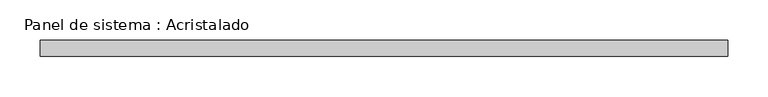
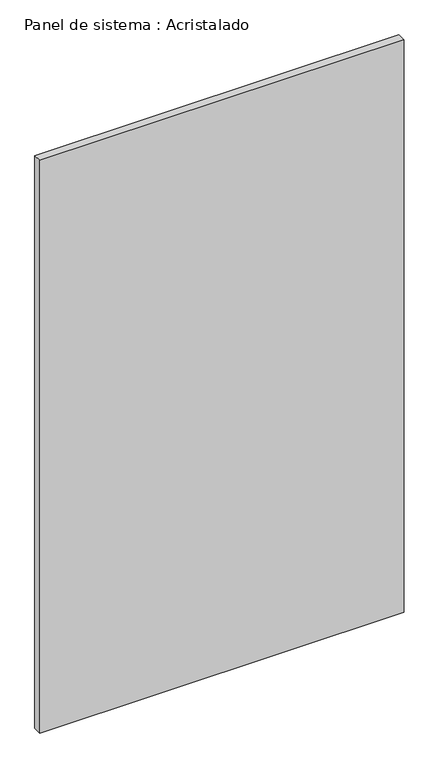
"""IFC4 building model written with IfcOpenShell, lengths in millimetres: plate geometry, Panel de sistema : Acristalado."""

from ifc_helpers import new_model, si_unit, origin, origin_with_axes, place, context, project, spatial, polyline, outline, extrude, source, transform, mapped, element, save


def panel_de_sistema_acristalado_0453789c(model_context):
    return source(origin(), model_context, "Body", "SweptSolid", [
        extrude(outline(polyline([(427.3509521, -10.0), (-427.3509521, -10.0), (-427.3509521, 10.0), (427.3509521, 10.0), (427.3509521, -10.0)])), origin_with_axes(), (0.0, 0.0, 1.0), 1419.9740771),
    ])


if __name__ == "__main__":
    model = new_model("IFC4")
    model_context = context("Model", 3, world=origin())
    ifc_project = project(units=[si_unit("LENGTHUNIT", "METRE", prefix="MILLI")], contexts=[model_context])
    site = spatial("IfcSite", under=ifc_project)
    building = spatial("IfcBuilding", under=site)
    placement = place(None, origin())
    panel_de_sistema_acristalado_shape = panel_de_sistema_acristalado_0453789c(model_context)
    element("IfcPlate", 1, ObjectType="Panel de sistema : Acristalado", at=placement, inside=building, context=model_context, shape_type="MappedRepresentation", body=[
        mapped(panel_de_sistema_acristalado_shape, transform((0.0, 0.0, 0.0), x_axis=(1.0, 0.0, 0.0), y_axis=(0.0, 1.0, 0.0), z_axis=(0.0, 0.0, 1.0))),
    ])
    save(model, "model.ifc")
